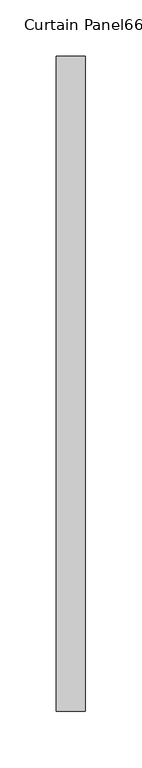
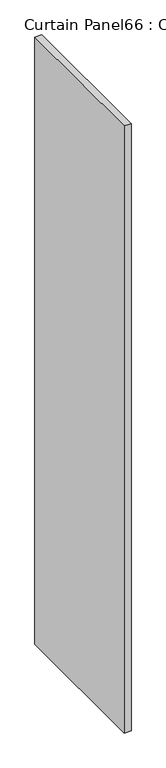
"""IFC4 building model written with IfcOpenShell, lengths in millimetres: plate geometry, Curtain Panel66 : Curtain Panel."""

from ifc_helpers import new_model, si_unit, frame, origin, place, context, project, spatial, polyline, outline, extrude, source, transform, mapped, element, save


def curtain_panel66_curtain_panel_f89d474c(model_context):
    return source(origin(), model_context, "Body", "SweptSolid", [
        extrude(outline(polyline([(-38237.456025, -1356.387422), (-38237.456025, -1935.9128778), (-38262.856025, -1935.9128778), (-38262.856025, -1356.387422), (-38237.456025, -1356.387422)])), frame((0.0, 0.0, 57.15), z_axis=(0.0, 0.0, 1.0), x_axis=(1.0, 0.0, 0.0)), (0.0, 0.0, 1.0), 2403.4907618),
    ])


if __name__ == "__main__":
    model = new_model("IFC4")
    model_context = context("Model", 3, world=origin())
    ifc_project = project(units=[si_unit("LENGTHUNIT", "METRE", prefix="MILLI")], contexts=[model_context])
    site = spatial("IfcSite", under=ifc_project)
    building = spatial("IfcBuilding", under=site)
    placement = place(None, origin())
    curtain_panel66_curtain_panel_shape = curtain_panel66_curtain_panel_f89d474c(model_context)
    element("IfcPlate", 1, ObjectType="Curtain Panel66 : Curtain Panel", at=placement, inside=building, context=model_context, shape_type="MappedRepresentation", body=[
        mapped(curtain_panel66_curtain_panel_shape, transform((0.0, 0.0, 0.0), x_axis=(1.0, 0.0, 0.0), y_axis=(0.0, 1.0, 0.0), z_axis=(0.0, 0.0, 1.0))),
    ])
    save(model, "model.ifc")
